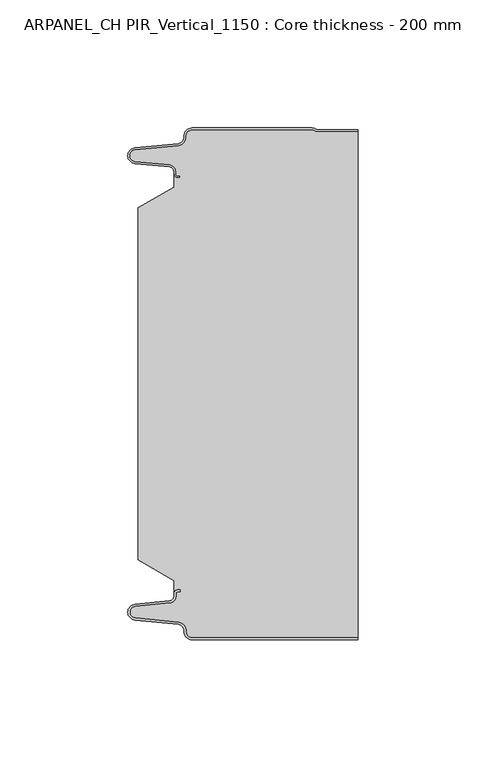
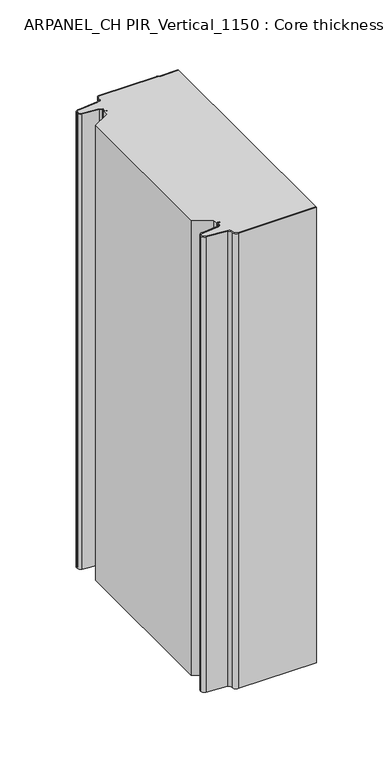
"""IFC4 building model written with IfcOpenShell, lengths in millimetres: plate geometry, ARPANEL_CH PIR_Vertical_1150 : Core thickness - 200 mm."""

from ifc_helpers import new_model, si_unit, frame, origin, place, context, project, spatial, polyline, circle_curve, source, transform, mapped, element, save
from ifc_brep_helpers import plane_surface, cylinder_surface, revolved_surface, advanced_brep


def arpanel_ch_pir_vertical_1150_core_thickness_200_mm_db65fc9b(model_context):
    return source(origin(), model_context, "Body", "AdvancedBrep", [
        advanced_brep(
        [(-19.8000003, -199.9996949, 0.0), (-22.9923632, -196.5787437, 0.0), (-25.2560431, -193.9171154, 0.0), (-42.2115315, -192.2546153, 0.0), (-44.9999998, -189.1776715, 0.0), (-42.2115315, -186.1007278, 0.0), (-28.6195785, -184.7680252, 0.0), (-26.9952277, -182.9766159, 0.0), (-26.9952277, -181.8996949, 0.0), (-25.5952277, -180.4996949, 0.0), (-24.4952277, -180.4996949, 0.0), (-24.4952277, -181.2996949, 0.0), (-25.5952277, -181.2996949, 0.0), (-26.1952277, -181.8996949, 0.0), (-26.1952277, -182.9766159, 0.0), (-28.5415122, -185.5642071, 0.0), (-42.1334652, -186.8969097, 0.0), (-44.1999997, -189.1776715, 0.0), (-42.1334652, -191.4584333, 0.0), (-25.1779767, -193.1209335, 0.0), (-22.2078761, -196.6330399, 0.0), (-19.8000003, -199.1996949, 0.0), (44.9999998, -199.2, 0.0), (44.9999998, -199.9996949, 0.0), (-19.8000003, -199.1996949, 400.0), (-22.1942724, -196.6339815, 400.0), (-25.1779767, -193.1209335, 400.0), (-42.1334652, -191.4584333, 400.0), (-44.1999997, -189.1776715, 400.0), (-42.1334652, -186.8969097, 400.0), (-28.5415122, -185.5642071, 400.0), (-26.1952277, -182.9766159, 400.0), (-26.1952277, -181.8996949, 400.0), (-25.5952277, -181.2996949, 400.0), (-24.4952277, -181.2996949, 400.0), (-24.4952277, -180.4996949, 400.0), (-25.5952277, -180.4996949, 400.0), (-26.9952277, -181.8996949, 400.0), (-26.9952277, -182.9766159, 400.0), (-28.6195785, -184.7680252, 400.0), (-42.2115315, -186.1007278, 400.0), (-44.9999998, -189.1776715, 400.0), (-42.2115315, -192.2546153, 400.0), (-25.2560431, -193.9171154, 400.0), (-23.0059668, -196.5778021, 400.0), (-19.8000003, -199.9996949, 400.0), (44.9999998, -199.9996949, 400.0), (44.9999998, -199.2, 400.0)],
        [
            (0, 1, circle_curve(frame((-19.8000003, -196.7996949, 0.0), z_axis=(0.0, 0.0, -1.0), x_axis=(1.0, 0.0, 0.0)), 3.2)),
            (1, 2, circle_curve(frame((-25.5000003, -196.4051839, 0.0), z_axis=(0.0, 0.0, 1.0), x_axis=(1.0, 0.0, 0.0)), 2.5)),
            (2, 3),
            (3, 4, circle_curve(frame((-41.9100003, -189.1793626, 0.0), z_axis=(0.0, 0.0, -1.0), x_axis=(1.0, 0.0, 0.0)), 3.09)),
            (4, 5, circle_curve(frame((-41.9100003, -189.1759805, 0.0), z_axis=(0.0, 0.0, -1.0), x_axis=(1.0, 0.0, 0.0)), 3.09)),
            (5, 6),
            (6, 7, circle_curve(frame((-28.7952277, -182.9766159, 0.0), z_axis=(0.0, 0.0, 1.0), x_axis=(1.0, 0.0, 0.0)), 1.8)),
            (7, 8),
            (8, 9, circle_curve(frame((-25.5952277, -181.8996949, 0.0), z_axis=(0.0, 0.0, -1.0), x_axis=(1.0, 0.0, 0.0)), 1.4)),
            (9, 10),
            (10, 11),
            (11, 12),
            (12, 13, circle_curve(frame((-25.5952277, -181.8996949, 0.0), z_axis=(0.0, 0.0, 1.0), x_axis=(1.0, 0.0, 0.0)), 0.6)),
            (13, 14),
            (14, 15, circle_curve(frame((-28.7952277, -182.9766159, 0.0), z_axis=(0.0, 0.0, -1.0), x_axis=(1.0, 0.0, 0.0)), 2.6)),
            (15, 16),
            (16, 17, circle_curve(frame((-41.9100003, -189.1759805, 0.0), z_axis=(0.0, 0.0, 1.0), x_axis=(1.0, 0.0, 0.0)), 2.29)),
            (17, 18, circle_curve(frame((-41.9100003, -189.1793626, 0.0), z_axis=(0.0, 0.0, 1.0), x_axis=(1.0, 0.0, 0.0)), 2.29)),
            (18, 19),
            (19, 20, circle_curve(frame((-25.5000003, -196.4051839, 0.0), z_axis=(0.0, 0.0, -1.0), x_axis=(1.0, 0.0, 0.0)), 3.3)),
            (20, 21, circle_curve(frame((-19.8000003, -196.7996949, 0.0), z_axis=(0.0, 0.0, 1.0), x_axis=(1.0, 0.0, 0.0)), 2.4)),
            (21, 22),
            (22, 23),
            (23, 0),
            (24, 25, circle_curve(frame((-19.8000003, -196.7996949, 400.0), z_axis=(0.0, 0.0, -1.0), x_axis=(1.0, 0.0, 0.0)), 2.4)),
            (25, 26, circle_curve(frame((-25.5000003, -196.4051839, 400.0), z_axis=(0.0, 0.0, 1.0), x_axis=(1.0, 0.0, 0.0)), 3.3)),
            (26, 27),
            (27, 28, circle_curve(frame((-41.9100003, -189.1793626, 400.0), z_axis=(0.0, 0.0, -1.0), x_axis=(1.0, 0.0, 0.0)), 2.29)),
            (28, 29, circle_curve(frame((-41.9100003, -189.1759805, 400.0), z_axis=(0.0, 0.0, -1.0), x_axis=(1.0, 0.0, 0.0)), 2.29)),
            (29, 30),
            (30, 31, circle_curve(frame((-28.7952277, -182.9766159, 400.0), z_axis=(0.0, 0.0, 1.0), x_axis=(1.0, 0.0, 0.0)), 2.6)),
            (31, 32),
            (32, 33, circle_curve(frame((-25.5952277, -181.8996949, 400.0), z_axis=(0.0, 0.0, -1.0), x_axis=(1.0, 0.0, 0.0)), 0.6)),
            (33, 34),
            (34, 35),
            (35, 36),
            (36, 37, circle_curve(frame((-25.5952277, -181.8996949, 400.0), z_axis=(0.0, 0.0, 1.0), x_axis=(1.0, 0.0, 0.0)), 1.4)),
            (37, 38),
            (38, 39, circle_curve(frame((-28.7952277, -182.9766159, 400.0), z_axis=(0.0, 0.0, -1.0), x_axis=(1.0, 0.0, 0.0)), 1.8)),
            (39, 40),
            (40, 41, circle_curve(frame((-41.9100003, -189.1759805, 400.0), z_axis=(0.0, 0.0, 1.0), x_axis=(1.0, 0.0, 0.0)), 3.09)),
            (41, 42, circle_curve(frame((-41.9100003, -189.1793626, 400.0), z_axis=(0.0, 0.0, 1.0), x_axis=(1.0, 0.0, 0.0)), 3.09)),
            (42, 43),
            (43, 44, circle_curve(frame((-25.5000003, -196.4051839, 400.0), z_axis=(0.0, 0.0, -1.0), x_axis=(1.0, 0.0, 0.0)), 2.5)),
            (44, 45, circle_curve(frame((-19.8000003, -196.7996949, 400.0), z_axis=(0.0, 0.0, 1.0), x_axis=(1.0, 0.0, 0.0)), 3.2)),
            (45, 46),
            (46, 47),
            (47, 24),
            (21, 24),
            (47, 22),
            (20, 25),
            (19, 26),
            (18, 27),
            (17, 28),
            (16, 29),
            (15, 30),
            (14, 31),
            (13, 32),
            (12, 33),
            (11, 34),
            (10, 35),
            (9, 36),
            (8, 37),
            (7, 38),
            (6, 39),
            (5, 40),
            (4, 41),
            (3, 42),
            (2, 43),
            (1, 44),
            (0, 45),
            (23, 46),
        ],
        [
            plane_surface(frame((-44.9999998, -200.0, 0.0), z_axis=(0.0, 0.0, -1.0), x_axis=(0.0, 1.0, 0.0))),
            plane_surface(frame((-44.9999998, -200.0, 400.0), z_axis=(0.0, 0.0, 1.0), x_axis=(0.0, 1.0, 0.0))),
            plane_surface(frame((-19.8000003, -199.2, 0.0), z_axis=(0.0, 1.0, 0.0), x_axis=(0.0, 0.0, 1.0))),
            revolved_surface(polyline([(-17.400000300000002, -196.7996949, 400.0), (-17.400000300000002, -196.7996949, 0.0)]), (-19.8000003, -196.7996949, 0.0), (0.0, 0.0, 1.0)),
            cylinder_surface(frame((-25.5000003, -196.4051839, 0.0), z_axis=(0.0, 0.0, -1.0), x_axis=(1.0, 0.0, 0.0)), 3.3),
            plane_surface(frame((-42.1334652, -191.4584333, 0.0), z_axis=(0.09758289975914758, 0.9952273999818314, 0.0), x_axis=(0.0, 0.0, 1.0))),
            revolved_surface(polyline([(-39.6200003, -189.1793626, 400.0), (-39.6200003, -189.1793626, 0.0)]), (-41.9100003, -189.1793626, 0.0), (0.0, 0.0, 1.0)),
            revolved_surface(polyline([(-39.6200003, -189.1759805, 400.0), (-39.6200003, -189.1759805, 0.0)]), (-41.9100003, -189.1759805, 0.0), (0.0, 0.0, 1.0)),
            plane_surface(frame((-28.5415122, -185.5642071, 0.0), z_axis=(0.09758289975914383, -0.9952273999818317, 0.0), x_axis=(0.0, 0.0, 1.0))),
            cylinder_surface(frame((-28.7952277, -182.9766159, 0.0), z_axis=(0.0, 0.0, -1.0), x_axis=(1.0, 0.0, 0.0)), 2.6),
            plane_surface(frame((-26.1952277, -181.8996949, 0.0), z_axis=(1.0, 0.0, 0.0), x_axis=(0.0, 0.0, 1.0))),
            revolved_surface(polyline([(-24.995227699999997, -181.8996949, 400.0), (-24.995227699999997, -181.8996949, 0.0)]), (-25.5952277, -181.8996949, 0.0), (0.0, 0.0, 1.0)),
            plane_surface(frame((-24.4952277, -181.2996949, 0.0), z_axis=(0.0, -1.0, 0.0), x_axis=(0.0, 0.0, 1.0))),
            plane_surface(frame((-24.4952277, -180.4996949, 0.0), z_axis=(1.0, 0.0, 0.0), x_axis=(0.0, 0.0, 1.0))),
            plane_surface(frame((-25.5952277, -180.4996949, 0.0), z_axis=(0.0, 1.0, 0.0), x_axis=(0.0, 0.0, 1.0))),
            cylinder_surface(frame((-25.5952277, -181.8996949, 0.0), z_axis=(0.0, 0.0, -1.0), x_axis=(1.0, 0.0, 0.0)), 1.4),
            plane_surface(frame((-26.9952277, -182.9766159, 0.0), z_axis=(-1.0, 0.0, 0.0), x_axis=(0.0, 0.0, 1.0))),
            revolved_surface(polyline([(-26.9952277, -182.9766159, 400.0), (-26.9952277, -182.9766159, 0.0)]), (-28.7952277, -182.9766159, 0.0), (0.0, 0.0, 1.0)),
            plane_surface(frame((-42.2115315, -186.1007278, 0.0), z_axis=(-0.09758289975914387, 0.9952273999818317, 0.0), x_axis=(0.0, 0.0, 1.0))),
            cylinder_surface(frame((-41.9100003, -189.1759805, 0.0), z_axis=(0.0, 0.0, -1.0), x_axis=(1.0, 0.0, 0.0)), 3.09),
            cylinder_surface(frame((-41.9100003, -189.1793626, 0.0), z_axis=(0.0, 0.0, -1.0), x_axis=(1.0, 0.0, 0.0)), 3.09),
            plane_surface(frame((-25.2560431, -193.9171154, 0.0), z_axis=(-0.09758289975914762, -0.9952273999818314, 0.0), x_axis=(0.0, 0.0, 1.0))),
            revolved_surface(polyline([(-23.0000003, -196.4051839, 400.0), (-23.0000003, -196.4051839, 0.0)]), (-25.5000003, -196.4051839, 0.0), (0.0, 0.0, 1.0)),
            cylinder_surface(frame((-19.8000003, -196.7996949, 0.0), z_axis=(0.0, 0.0, -1.0), x_axis=(1.0, 0.0, 0.0)), 3.2),
            plane_surface(frame((1121.009932, -199.9996949, 0.0), z_axis=(0.0, -1.0, 0.0), x_axis=(0.0, 0.0, 1.0))),
            plane_surface(frame((44.9999998, 180.0, 400.0), z_axis=(1.0, 0.0, 0.0), x_axis=(0.0, 0.0, -1.0))),
        ],
        [
            (0, [[1, 2, 3, 4, 5, 6, 7, 8, 9, 10, 11, 12, 13, 14, 15, 16, 17, 18, 19, 20, 21, 22, 23, 24]]),
            (1, [[25, 26, 27, 28, 29, 30, 31, 32, 33, 34, 35, 36, 37, 38, 39, 40, 41, 42, 43, 44, 45, 46, 47, 48]]),
            (2, [[49, -48, 50, -22]]),
            (3, [[-21, 51, -25, -49]]),
            (4, [[-20, 52, -26, -51]]),
            (5, [[-19, 53, -27, -52]]),
            (6, [[-18, 54, -28, -53]]),
            (7, [[-17, 55, -29, -54]]),
            (8, [[-16, 56, -30, -55]]),
            (9, [[-15, 57, -31, -56]]),
            (10, [[-14, 58, -32, -57]]),
            (11, [[-13, 59, -33, -58]]),
            (12, [[-12, 60, -34, -59]]),
            (13, [[-11, 61, -35, -60]]),
            (14, [[-10, 62, -36, -61]]),
            (15, [[-9, 63, -37, -62]]),
            (16, [[-8, 64, -38, -63]]),
            (17, [[-7, 65, -39, -64]]),
            (18, [[-6, 66, -40, -65]]),
            (19, [[-5, 67, -41, -66]]),
            (20, [[-4, 68, -42, -67]]),
            (21, [[-3, 69, -43, -68]]),
            (22, [[-2, 70, -44, -69]]),
            (23, [[-1, 71, -45, -70]]),
            (24, [[-71, -24, 72, -46]]),
            (25, [[-23, -50, -47, -72]]),
        ],
    ),
        advanced_brep(
        [(-26.9952277, -23.1062917, 400.0), (-41.0446509, -31.1628062, 400.0), (-41.0446509, -168.7531937, 400.0), (-26.9952277, -176.8937083, 400.0), (-26.9952277, -180.4996949, 400.0), (-26.9952277, -181.8996949, 400.0), (-25.5952277, -180.4996949, 400.0), (-24.4952277, -180.4996949, 400.0), (-24.4952277, -181.2996949, 400.0), (-25.5952277, -181.2996949, 400.0), (-26.1952277, -181.8996949, 400.0), (-26.1952277, -182.9766159, 400.0), (-28.5415122, -185.5642071, 400.0), (-42.1334652, -186.8969097, 400.0), (-44.1999997, -189.1776715, 400.0), (-42.1334652, -191.4584333, 400.0), (-25.1779767, -193.1209335, 400.0), (-22.2078761, -196.6330399, 400.0), (-19.8000003, -199.1996949, 400.0), (44.9999998, -199.2, 400.0), (44.9999998, -1.5003051, 400.0), (29.4172165, -1.5003051, 400.0), (27.9978051, -1.0971009, 400.0), (26.9454197, -0.8, 400.0), (-19.8000003, -0.8, 400.0), (-22.1942724, -3.3660185, 400.0), (-25.1779767, -6.8790665, 400.0), (-42.1334652, -8.5415667, 400.0), (-44.1999997, -10.8223285, 400.0), (-42.1334652, -13.1030903, 400.0), (-28.5415122, -14.4357929, 400.0), (-26.1952277, -17.0233841, 400.0), (-26.1952277, -18.1003051, 400.0), (-25.5952277, -18.7003051, 400.0), (-24.4952277, -18.7003051, 400.0), (-24.4952277, -19.5003051, 400.0), (-25.5952277, -19.5003051, 400.0), (-26.9952277, -18.1003051, 400.0), (-26.9952277, -19.5003051, 400.0), (-26.9952277, -176.8937083, 0.0), (-41.0446509, -168.7531937, 0.0), (-41.0446509, -31.1628062, 0.0), (-26.9952277, -23.1062917, 0.0), (-26.9952277, -19.5003051, 0.0), (-26.9952277, -18.1003051, 0.0), (-25.5952277, -19.5003051, 0.0), (-24.4952277, -19.5003051, 0.0), (-24.4952277, -18.7003051, 0.0), (-25.5952277, -18.7003051, 0.0), (-26.1952277, -18.1003051, 0.0), (-26.1952277, -17.0233841, 0.0), (-28.5415122, -14.4357929, 0.0), (-42.1334652, -13.1030903, 0.0), (-44.1999997, -10.8223285, 0.0), (-42.1334652, -8.5415667, 0.0), (-25.1779767, -6.8790665, 0.0), (-22.2078761, -3.3669601, 0.0), (-19.8000003, -0.8003051, 0.0), (26.9454197, -0.8, 0.0), (27.9968355, -1.0986697, 0.0), (29.4172165, -1.5003051, 0.0), (44.9999998, -1.5003051, 0.0), (44.9999998, -199.2, 0.0), (-19.8000003, -199.2, 0.0), (-22.1942724, -196.6339815, 0.0), (-25.1779767, -193.1209335, 0.0), (-42.1334652, -191.4584333, 0.0), (-44.1999997, -189.1776715, 0.0), (-42.1334652, -186.8969097, 0.0), (-28.5415122, -185.5642071, 0.0), (-26.1952277, -182.9766159, 0.0), (-26.1952277, -181.8996949, 0.0), (-25.5952277, -181.2996949, 0.0), (-24.4952277, -181.2996949, 0.0), (-24.4952277, -180.4996949, 0.0), (-25.5952277, -180.4996949, 0.0), (-26.9952277, -181.8996949, 0.0), (-26.9952277, -180.4996949, 0.0)],
        [
            (0, 1),
            (1, 2),
            (2, 3),
            (3, 4),
            (4, 5),
            (5, 6, circle_curve(frame((-25.5952277, -181.8996949, 400.0), z_axis=(0.0, 0.0, -1.0), x_axis=(1.0, 0.0, 0.0)), 1.4)),
            (6, 7),
            (7, 8),
            (8, 9),
            (9, 10, circle_curve(frame((-25.5952277, -181.8996949, 400.0), z_axis=(0.0, 0.0, 1.0), x_axis=(1.0, 0.0, 0.0)), 0.6)),
            (10, 11),
            (11, 12, circle_curve(frame((-28.7952277, -182.9766159, 400.0), z_axis=(0.0, 0.0, -1.0), x_axis=(1.0, 0.0, 0.0)), 2.6)),
            (12, 13),
            (13, 14, circle_curve(frame((-41.9100003, -189.1759805, 400.0), z_axis=(0.0, 0.0, 1.0), x_axis=(1.0, 0.0, 0.0)), 2.29)),
            (14, 15, circle_curve(frame((-41.9100003, -189.1793626, 400.0), z_axis=(0.0, 0.0, 1.0), x_axis=(1.0, 0.0, 0.0)), 2.29)),
            (15, 16),
            (16, 17, circle_curve(frame((-25.5000003, -196.4051839, 400.0), z_axis=(0.0, 0.0, -1.0), x_axis=(1.0, 0.0, 0.0)), 3.3)),
            (17, 18, circle_curve(frame((-19.8000003, -196.7996949, 400.0), z_axis=(0.0, 0.0, 1.0), x_axis=(1.0, 0.0, 0.0)), 2.4)),
            (18, 19),
            (19, 20),
            (20, 21),
            (21, 22, circle_curve(frame((29.4172165, 1.1996949, 400.0), z_axis=(0.0, 0.0, -1.0), x_axis=(1.0, 0.0, 0.0)), 2.7)),
            (22, 23, circle_curve(frame((26.9454197, -2.8, 400.0), z_axis=(0.0, 0.0, 1.0), x_axis=(1.0, 0.0, 0.0)), 2.0)),
            (23, 24),
            (24, 25, circle_curve(frame((-19.8000003, -3.2003051, 400.0), z_axis=(0.0, 0.0, 1.0), x_axis=(1.0, 0.0, 0.0)), 2.4)),
            (25, 26, circle_curve(frame((-25.5000003, -3.5948161, 400.0), z_axis=(0.0, 0.0, -1.0), x_axis=(1.0, 0.0, 0.0)), 3.3)),
            (26, 27),
            (27, 28, circle_curve(frame((-41.9100003, -10.8206374, 400.0), z_axis=(0.0, 0.0, 1.0), x_axis=(1.0, 0.0, 0.0)), 2.29)),
            (28, 29, circle_curve(frame((-41.9100003, -10.8240195, 400.0), z_axis=(0.0, 0.0, 1.0), x_axis=(1.0, 0.0, 0.0)), 2.29)),
            (29, 30),
            (30, 31, circle_curve(frame((-28.7952277, -17.0233841, 400.0), z_axis=(0.0, 0.0, -1.0), x_axis=(1.0, 0.0, 0.0)), 2.6)),
            (31, 32),
            (32, 33, circle_curve(frame((-25.5952277, -18.1003051, 400.0), z_axis=(0.0, 0.0, 1.0), x_axis=(1.0, 0.0, 0.0)), 0.6)),
            (33, 34),
            (34, 35),
            (35, 36),
            (36, 37, circle_curve(frame((-25.5952277, -18.1003051, 400.0), z_axis=(0.0, 0.0, -1.0), x_axis=(1.0, 0.0, 0.0)), 1.4)),
            (37, 38),
            (38, 0),
            (39, 40),
            (40, 41),
            (41, 42),
            (42, 43),
            (43, 44),
            (44, 45, circle_curve(frame((-25.5952277, -18.1003051, 0.0), z_axis=(0.0, 0.0, 1.0), x_axis=(1.0, 0.0, 0.0)), 1.4)),
            (45, 46),
            (46, 47),
            (47, 48),
            (48, 49, circle_curve(frame((-25.5952277, -18.1003051, 0.0), z_axis=(0.0, 0.0, -1.0), x_axis=(1.0, 0.0, 0.0)), 0.6)),
            (49, 50),
            (50, 51, circle_curve(frame((-28.7952277, -17.0233841, 0.0), z_axis=(0.0, 0.0, 1.0), x_axis=(1.0, 0.0, 0.0)), 2.6)),
            (51, 52),
            (52, 53, circle_curve(frame((-41.9100003, -10.8240195, 0.0), z_axis=(0.0, 0.0, -1.0), x_axis=(1.0, 0.0, 0.0)), 2.29)),
            (53, 54, circle_curve(frame((-41.9100003, -10.8206374, 0.0), z_axis=(0.0, 0.0, -1.0), x_axis=(1.0, 0.0, 0.0)), 2.29)),
            (54, 55),
            (55, 56, circle_curve(frame((-25.5000003, -3.5948161, 0.0), z_axis=(0.0, 0.0, 1.0), x_axis=(1.0, 0.0, 0.0)), 3.3)),
            (56, 57, circle_curve(frame((-19.8000003, -3.2003051, 0.0), z_axis=(0.0, 0.0, -1.0), x_axis=(1.0, 0.0, 0.0)), 2.4)),
            (57, 58),
            (58, 59, circle_curve(frame((26.9454197, -2.8, 0.0), z_axis=(0.0, 0.0, -1.0), x_axis=(1.0, 0.0, 0.0)), 2.0)),
            (59, 60, circle_curve(frame((29.4172165, 1.1996949, 0.0), z_axis=(0.0, 0.0, 1.0), x_axis=(1.0, 0.0, 0.0)), 2.7)),
            (60, 61),
            (61, 62),
            (62, 63),
            (63, 64, circle_curve(frame((-19.8000003, -196.7996949, 0.0), z_axis=(0.0, 0.0, -1.0), x_axis=(1.0, 0.0, 0.0)), 2.4)),
            (64, 65, circle_curve(frame((-25.5000003, -196.4051839, 0.0), z_axis=(0.0, 0.0, 1.0), x_axis=(1.0, 0.0, 0.0)), 3.3)),
            (65, 66),
            (66, 67, circle_curve(frame((-41.9100003, -189.1793626, 0.0), z_axis=(0.0, 0.0, -1.0), x_axis=(1.0, 0.0, 0.0)), 2.29)),
            (67, 68, circle_curve(frame((-41.9100003, -189.1759805, 0.0), z_axis=(0.0, 0.0, -1.0), x_axis=(1.0, 0.0, 0.0)), 2.29)),
            (68, 69),
            (69, 70, circle_curve(frame((-28.7952277, -182.9766159, 0.0), z_axis=(0.0, 0.0, 1.0), x_axis=(1.0, 0.0, 0.0)), 2.6)),
            (70, 71),
            (71, 72, circle_curve(frame((-25.5952277, -181.8996949, 0.0), z_axis=(0.0, 0.0, -1.0), x_axis=(1.0, 0.0, 0.0)), 0.6)),
            (72, 73),
            (73, 74),
            (74, 75),
            (75, 76, circle_curve(frame((-25.5952277, -181.8996949, 0.0), z_axis=(0.0, 0.0, 1.0), x_axis=(1.0, 0.0, 0.0)), 1.4)),
            (76, 77),
            (77, 39),
            (42, 0),
            (37, 44),
            (1, 41),
            (40, 2),
            (39, 3),
            (76, 5),
            (19, 62),
            (61, 20),
            (18, 63),
            (17, 64),
            (16, 65),
            (15, 66),
            (14, 67),
            (13, 68),
            (12, 69),
            (11, 70),
            (10, 71),
            (9, 72),
            (8, 73),
            (7, 74),
            (6, 75),
            (57, 24),
            (23, 58),
            (22, 59),
            (21, 60),
            (36, 45),
            (35, 46),
            (34, 47),
            (33, 48),
            (32, 49),
            (31, 50),
            (30, 51),
            (29, 52),
            (28, 53),
            (27, 54),
            (26, 55),
            (25, 56),
        ],
        [
            plane_surface(frame((-44.9999998, 0.0, 400.0), z_axis=(0.0, 0.0, 1.0), x_axis=(0.0, -1.0, 0.0))),
            plane_surface(frame((-44.9999998, 0.0, 0.0), z_axis=(0.0, 0.0, -1.0), x_axis=(0.0, -1.0, 0.0))),
            plane_surface(frame((-26.9952277, -17.0229218, 400.0), z_axis=(-1.0, 0.0, 0.0), x_axis=(0.0, 0.0, -1.0))),
            plane_surface(frame((-41.0446509, -31.1628062, 400.0), z_axis=(-1.0, 0.0, 0.0), x_axis=(0.0, 0.0, -1.0))),
            plane_surface(frame((-26.9952277, -23.1062917, 400.0), z_axis=(-0.4974543664933155, 0.8674901459133322, 0.0), x_axis=(0.0, 0.0, -1.0))),
            plane_surface(frame((-41.0446509, -168.7531937, 400.0), z_axis=(-0.5013424225369615, -0.8652489672717159, 0.0), x_axis=(0.0, 0.0, -1.0))),
            plane_surface(frame((-26.9952277, -176.8937083, 400.0), z_axis=(-1.0, 0.0, 0.0), x_axis=(0.0, 0.0, -1.0))),
            plane_surface(frame((44.9999998, 180.0, 400.0), z_axis=(1.0, 0.0, 0.0), x_axis=(0.0, 0.0, -1.0))),
            plane_surface(frame((1121.009932, -199.2, 530.0), z_axis=(0.0, -1.0, 0.0), x_axis=(0.0, 0.0, -1.0))),
            cylinder_surface(frame((-19.8000003, -196.7996949, 530.0), z_axis=(0.0, 0.0, -1.0), x_axis=(1.0, 0.0, 0.0)), 2.4),
            revolved_surface(polyline([(-22.2000003, -196.4051839, 400.0), (-22.2000003, -196.4051839, 0.0)]), (-25.5000003, -196.4051839, 530.0), (0.0, 0.0, 1.0)),
            plane_surface(frame((-25.1779767, -193.1209335, 530.0), z_axis=(-0.09758289975914758, -0.9952273999818314, 0.0), x_axis=(0.0, 0.0, -1.0))),
            cylinder_surface(frame((-41.9100003, -189.1793626, 530.0), z_axis=(0.0, 0.0, -1.0), x_axis=(1.0, 0.0, 0.0)), 2.29),
            cylinder_surface(frame((-41.9100003, -189.1759805, 530.0), z_axis=(0.0, 0.0, -1.0), x_axis=(1.0, 0.0, 0.0)), 2.29),
            plane_surface(frame((-42.1334652, -186.8969097, 530.0), z_axis=(-0.09758289975914383, 0.9952273999818317, 0.0), x_axis=(0.0, 0.0, -1.0))),
            revolved_surface(polyline([(-26.1952277, -182.9766159, 400.0), (-26.1952277, -182.9766159, 0.0)]), (-28.7952277, -182.9766159, 530.0), (0.0, 0.0, 1.0)),
            plane_surface(frame((-26.1952277, -182.9766159, 530.0), z_axis=(-1.0, 0.0, 0.0), x_axis=(0.0, 0.0, -1.0))),
            cylinder_surface(frame((-25.5952277, -181.8996949, 530.0), z_axis=(0.0, 0.0, -1.0), x_axis=(1.0, 0.0, 0.0)), 0.6),
            plane_surface(frame((-25.5952277, -181.2996949, 530.0), z_axis=(0.0, 1.0, 0.0), x_axis=(0.0, 0.0, -1.0))),
            plane_surface(frame((-24.4952277, -181.2996949, 530.0), z_axis=(-1.0, 0.0, 0.0), x_axis=(0.0, 0.0, -1.0))),
            plane_surface(frame((-24.4952277, -180.4996949, 530.0), z_axis=(0.0, -1.0, 0.0), x_axis=(0.0, 0.0, -1.0))),
            revolved_surface(polyline([(-24.1952277, -181.8996949, 400.0), (-24.1952277, -181.8996949, 0.0)]), (-25.5952277, -181.8996949, 530.0), (0.0, 0.0, 1.0)),
            plane_surface(frame((-19.8000003, -0.8, 530.0), z_axis=(0.0, 1.0, 0.0), x_axis=(0.0, 0.0, -1.0))),
            cylinder_surface(frame((26.9454197, -2.8, 530.0), z_axis=(0.0, 0.0, -1.0), x_axis=(1.0, 0.0, 0.0)), 2.0),
            revolved_surface(polyline([(32.1172165, 1.1996949, 400.0), (32.1172165, 1.1996949, 0.0)]), (29.4172165, 1.1996949, 530.0), (0.0, 0.0, 1.0)),
            plane_surface(frame((29.4172165, -1.5003051, 530.0), z_axis=(0.0, 1.0, 0.0), x_axis=(0.0, 0.0, -1.0))),
            revolved_surface(polyline([(-24.1952277, -18.1003051, 400.0), (-24.1952277, -18.1003051, 0.0)]), (-25.5952277, -18.1003051, 530.0), (0.0, 0.0, 1.0)),
            plane_surface(frame((-25.5952277, -19.5003051, 530.0), z_axis=(0.0, 1.0, 0.0), x_axis=(0.0, 0.0, -1.0))),
            plane_surface(frame((-24.4952277, -19.5003051, 530.0), z_axis=(-1.0, 0.0, 0.0), x_axis=(0.0, 0.0, -1.0))),
            plane_surface(frame((-24.4952277, -18.7003051, 530.0), z_axis=(0.0, -1.0, 0.0), x_axis=(0.0, 0.0, -1.0))),
            cylinder_surface(frame((-25.5952277, -18.1003051, 530.0), z_axis=(0.0, 0.0, -1.0), x_axis=(1.0, 0.0, 0.0)), 0.6),
            plane_surface(frame((-26.1952277, -18.1003051, 530.0), z_axis=(-1.0, 0.0, 0.0), x_axis=(0.0, 0.0, -1.0))),
            revolved_surface(polyline([(-26.1952277, -17.0233841, 400.0), (-26.1952277, -17.0233841, 0.0)]), (-28.7952277, -17.0233841, 530.0), (0.0, 0.0, 1.0)),
            plane_surface(frame((-28.5415122, -14.4357929, 530.0), z_axis=(-0.09758289975914705, -0.9952273999818314, 0.0), x_axis=(0.0, 0.0, -1.0))),
            cylinder_surface(frame((-41.9100003, -10.8240195, 530.0), z_axis=(0.0, 0.0, -1.0), x_axis=(1.0, 0.0, 0.0)), 2.29),
            cylinder_surface(frame((-41.9100003, -10.8206374, 530.0), z_axis=(0.0, 0.0, -1.0), x_axis=(1.0, 0.0, 0.0)), 2.29),
            plane_surface(frame((-42.1334652, -8.5415667, 530.0), z_axis=(-0.09758289975914436, 0.9952273999818317, 0.0), x_axis=(0.0, 0.0, -1.0))),
            revolved_surface(polyline([(-22.2000003, -3.5948161, 400.0), (-22.2000003, -3.5948161, 0.0)]), (-25.5000003, -3.5948161, 530.0), (0.0, 0.0, 1.0)),
            cylinder_surface(frame((-19.8000003, -3.2003051, 530.0), z_axis=(0.0, 0.0, -1.0), x_axis=(1.0, 0.0, 0.0)), 2.4),
        ],
        [
            (0, [[1, 2, 3, 4, 5, 6, 7, 8, 9, 10, 11, 12, 13, 14, 15, 16, 17, 18, 19, 20, 21, 22, 23, 24, 25, 26, 27, 28, 29, 30, 31, 32, 33, 34, 35, 36, 37, 38, 39]]),
            (1, [[40, 41, 42, 43, 44, 45, 46, 47, 48, 49, 50, 51, 52, 53, 54, 55, 56, 57, 58, 59, 60, 61, 62, 63, 64, 65, 66, 67, 68, 69, 70, 71, 72, 73, 74, 75, 76, 77, 78]]),
            (2, [[79, -39, -38, 80, -44, -43]]),
            (3, [[-2, 81, -41, 82]]),
            (4, [[-1, -79, -42, -81]]),
            (5, [[-3, -82, -40, 83]]),
            (6, [[-83, -78, -77, 84, -5, -4]]),
            (7, [[85, -62, 86, -20]]),
            (8, [[87, -63, -85, -19]]),
            (9, [[-87, -18, 88, -64]]),
            (10, [[-88, -17, 89, -65]]),
            (11, [[-89, -16, 90, -66]]),
            (12, [[-90, -15, 91, -67]]),
            (13, [[-91, -14, 92, -68]]),
            (14, [[-92, -13, 93, -69]]),
            (15, [[-93, -12, 94, -70]]),
            (16, [[-94, -11, 95, -71]]),
            (17, [[-95, -10, 96, -72]]),
            (18, [[-96, -9, 97, -73]]),
            (19, [[-97, -8, 98, -74]]),
            (20, [[-98, -7, 99, -75]]),
            (21, [[-99, -6, -84, -76]]),
            (22, [[100, -24, 101, -58]]),
            (23, [[-101, -23, 102, -59]]),
            (24, [[-102, -22, 103, -60]]),
            (25, [[-103, -21, -86, -61]]),
            (26, [[104, -45, -80, -37]]),
            (27, [[-104, -36, 105, -46]]),
            (28, [[-105, -35, 106, -47]]),
            (29, [[-106, -34, 107, -48]]),
            (30, [[-107, -33, 108, -49]]),
            (31, [[-108, -32, 109, -50]]),
            (32, [[-109, -31, 110, -51]]),
            (33, [[-110, -30, 111, -52]]),
            (34, [[-111, -29, 112, -53]]),
            (35, [[-112, -28, 113, -54]]),
            (36, [[-113, -27, 114, -55]]),
            (37, [[-114, -26, 115, -56]]),
            (38, [[-100, -57, -115, -25]]),
        ],
    ),
        advanced_brep(
        [(27.9968355, -1.0986697, 0.0), (26.9454197, -0.8, 0.0), (-19.8000003, -0.8, 0.0), (-22.1942724, -3.3660185, 0.0), (-25.1779767, -6.8790665, 0.0), (-42.1334652, -8.5415667, 0.0), (-44.1999997, -10.8223285, 0.0), (-42.1334652, -13.1030903, 0.0), (-28.5415122, -14.4357929, 0.0), (-26.1952277, -17.0233841, 0.0), (-26.1952277, -18.1003051, 0.0), (-25.5952277, -18.7003051, 0.0), (-24.4952277, -18.7003051, 0.0), (-24.4952277, -19.5003051, 0.0), (-25.5952277, -19.5003051, 0.0), (-26.9952277, -18.1003051, 0.0), (-26.9952277, -17.0233841, 0.0), (-28.6195785, -15.2319748, 0.0), (-42.2115315, -13.8992722, 0.0), (-44.9999998, -10.8223285, 0.0), (-42.2115315, -7.7453847, 0.0), (-25.2560431, -6.0828846, 0.0), (-23.0059668, -3.4221979, 0.0), (-19.8000003, -0.0003051, 0.0), (26.9454197, -0.0003051, 0.0), (28.3647528, -0.4034608, 0.0), (29.4172165, -0.7003051, 0.0), (44.9999998, -0.7003051, 0.0), (44.9999998, -1.5003051, 0.0), (29.4172165, -1.5003051, 0.0), (27.9978051, -1.0971009, 400.0), (29.4172165, -1.5003051, 400.0), (44.9999998, -1.5003051, 400.0), (44.9999998, -0.7003051, 400.0), (29.4172165, -0.7003051, 400.0), (28.3658586, -0.4016712, 400.0), (26.9454197, -0.0003051, 400.0), (-19.8000003, -0.0003051, 400.0), (-22.9923632, -3.4212563, 400.0), (-25.2560431, -6.0828846, 400.0), (-42.2115315, -7.7453847, 400.0), (-44.9999998, -10.8223285, 400.0), (-42.2115315, -13.8992722, 400.0), (-28.6195785, -15.2319748, 400.0), (-26.9952277, -17.0233841, 400.0), (-26.9952277, -18.1003051, 400.0), (-25.5952277, -19.5003051, 400.0), (-24.4952277, -19.5003051, 400.0), (-24.4952277, -18.7003051, 400.0), (-25.5952277, -18.7003051, 400.0), (-26.1952277, -18.1003051, 400.0), (-26.1952277, -17.0233841, 400.0), (-28.5415122, -14.4357929, 400.0), (-42.1334652, -13.1030903, 400.0), (-44.1999997, -10.8223285, 400.0), (-42.1334652, -8.5415667, 400.0), (-25.1779767, -6.8790665, 400.0), (-22.2078761, -3.3669601, 400.0), (-19.8000003, -0.8003051, 400.0), (26.9454197, -0.8, 400.0)],
        [
            (0, 1, circle_curve(frame((26.9454197, -2.8, 0.0), z_axis=(0.0, 0.0, 1.0), x_axis=(1.0, 0.0, 0.0)), 2.0)),
            (1, 2),
            (2, 3, circle_curve(frame((-19.8000003, -3.2003051, 0.0), z_axis=(0.0, 0.0, 1.0), x_axis=(1.0, 0.0, 0.0)), 2.4)),
            (3, 4, circle_curve(frame((-25.5000003, -3.5948161, 0.0), z_axis=(0.0, 0.0, -1.0), x_axis=(1.0, 0.0, 0.0)), 3.3)),
            (4, 5),
            (5, 6, circle_curve(frame((-41.9100003, -10.8206374, 0.0), z_axis=(0.0, 0.0, 1.0), x_axis=(1.0, 0.0, 0.0)), 2.29)),
            (6, 7, circle_curve(frame((-41.9100003, -10.8240195, 0.0), z_axis=(0.0, 0.0, 1.0), x_axis=(1.0, 0.0, 0.0)), 2.29)),
            (7, 8),
            (8, 9, circle_curve(frame((-28.7952277, -17.0233841, 0.0), z_axis=(0.0, 0.0, -1.0), x_axis=(1.0, 0.0, 0.0)), 2.6)),
            (9, 10),
            (10, 11, circle_curve(frame((-25.5952277, -18.1003051, 0.0), z_axis=(0.0, 0.0, 1.0), x_axis=(1.0, 0.0, 0.0)), 0.6)),
            (11, 12),
            (12, 13),
            (13, 14),
            (14, 15, circle_curve(frame((-25.5952277, -18.1003051, 0.0), z_axis=(0.0, 0.0, -1.0), x_axis=(1.0, 0.0, 0.0)), 1.4)),
            (15, 16),
            (16, 17, circle_curve(frame((-28.7952277, -17.0233841, 0.0), z_axis=(0.0, 0.0, 1.0), x_axis=(1.0, 0.0, 0.0)), 1.8)),
            (17, 18),
            (18, 19, circle_curve(frame((-41.9100003, -10.8240195, 0.0), z_axis=(0.0, 0.0, -1.0), x_axis=(1.0, 0.0, 0.0)), 3.09)),
            (19, 20, circle_curve(frame((-41.9100003, -10.8206374, 0.0), z_axis=(0.0, 0.0, -1.0), x_axis=(1.0, 0.0, 0.0)), 3.09)),
            (20, 21),
            (21, 22, circle_curve(frame((-25.5000003, -3.5948161, 0.0), z_axis=(0.0, 0.0, 1.0), x_axis=(1.0, 0.0, 0.0)), 2.5)),
            (22, 23, circle_curve(frame((-19.8000003, -3.2003051, 0.0), z_axis=(0.0, 0.0, -1.0), x_axis=(1.0, 0.0, 0.0)), 3.2)),
            (23, 24),
            (24, 25, circle_curve(frame((26.9454197, -2.7003051, 0.0), z_axis=(0.0, 0.0, -1.0), x_axis=(1.0, 0.0, 0.0)), 2.7)),
            (25, 26, circle_curve(frame((29.4172165, 1.2996949, 0.0), z_axis=(0.0, 0.0, 1.0), x_axis=(1.0, 0.0, 0.0)), 2.0)),
            (26, 27),
            (27, 28),
            (28, 29),
            (29, 0, circle_curve(frame((29.4172165, 1.1996949, 0.0), z_axis=(0.0, 0.0, -1.0), x_axis=(1.0, 0.0, 0.0)), 2.7)),
            (30, 31, circle_curve(frame((29.4172165, 1.1996949, 400.0), z_axis=(0.0, 0.0, 1.0), x_axis=(1.0, 0.0, 0.0)), 2.7)),
            (31, 32),
            (32, 33),
            (33, 34),
            (34, 35, circle_curve(frame((29.4172165, 1.2996949, 400.0), z_axis=(0.0, 0.0, -1.0), x_axis=(1.0, 0.0, 0.0)), 2.0)),
            (35, 36, circle_curve(frame((26.9454197, -2.7003051, 400.0), z_axis=(0.0, 0.0, 1.0), x_axis=(1.0, 0.0, 0.0)), 2.7)),
            (36, 37),
            (37, 38, circle_curve(frame((-19.8000003, -3.2003051, 400.0), z_axis=(0.0, 0.0, 1.0), x_axis=(1.0, 0.0, 0.0)), 3.2)),
            (38, 39, circle_curve(frame((-25.5000003, -3.5948161, 400.0), z_axis=(0.0, 0.0, -1.0), x_axis=(1.0, 0.0, 0.0)), 2.5)),
            (39, 40),
            (40, 41, circle_curve(frame((-41.9100003, -10.8206374, 400.0), z_axis=(0.0, 0.0, 1.0), x_axis=(1.0, 0.0, 0.0)), 3.09)),
            (41, 42, circle_curve(frame((-41.9100003, -10.8240195, 400.0), z_axis=(0.0, 0.0, 1.0), x_axis=(1.0, 0.0, 0.0)), 3.09)),
            (42, 43),
            (43, 44, circle_curve(frame((-28.7952277, -17.0233841, 400.0), z_axis=(0.0, 0.0, -1.0), x_axis=(1.0, 0.0, 0.0)), 1.8)),
            (44, 45),
            (45, 46, circle_curve(frame((-25.5952277, -18.1003051, 400.0), z_axis=(0.0, 0.0, 1.0), x_axis=(1.0, 0.0, 0.0)), 1.4)),
            (46, 47),
            (47, 48),
            (48, 49),
            (49, 50, circle_curve(frame((-25.5952277, -18.1003051, 400.0), z_axis=(0.0, 0.0, -1.0), x_axis=(1.0, 0.0, 0.0)), 0.6)),
            (50, 51),
            (51, 52, circle_curve(frame((-28.7952277, -17.0233841, 400.0), z_axis=(0.0, 0.0, 1.0), x_axis=(1.0, 0.0, 0.0)), 2.6)),
            (52, 53),
            (53, 54, circle_curve(frame((-41.9100003, -10.8240195, 400.0), z_axis=(0.0, 0.0, -1.0), x_axis=(1.0, 0.0, 0.0)), 2.29)),
            (54, 55, circle_curve(frame((-41.9100003, -10.8206374, 400.0), z_axis=(0.0, 0.0, -1.0), x_axis=(1.0, 0.0, 0.0)), 2.29)),
            (55, 56),
            (56, 57, circle_curve(frame((-25.5000003, -3.5948161, 400.0), z_axis=(0.0, 0.0, 1.0), x_axis=(1.0, 0.0, 0.0)), 3.3)),
            (57, 58, circle_curve(frame((-19.8000003, -3.2003051, 400.0), z_axis=(0.0, 0.0, -1.0), x_axis=(1.0, 0.0, 0.0)), 2.4)),
            (58, 59),
            (59, 30, circle_curve(frame((26.9454197, -2.8, 400.0), z_axis=(0.0, 0.0, -1.0), x_axis=(1.0, 0.0, 0.0)), 2.0)),
            (0, 30),
            (59, 1),
            (58, 2),
            (57, 3),
            (56, 4),
            (55, 5),
            (54, 6),
            (53, 7),
            (52, 8),
            (51, 9),
            (50, 10),
            (49, 11),
            (48, 12),
            (47, 13),
            (46, 14),
            (45, 15),
            (44, 16),
            (43, 17),
            (42, 18),
            (41, 19),
            (40, 20),
            (39, 21),
            (38, 22),
            (37, 23),
            (36, 24),
            (35, 25),
            (34, 26),
            (33, 27),
            (31, 29),
            (28, 32),
        ],
        [
            plane_surface(frame((-44.9999998, 0.0, 0.0), z_axis=(0.0, 0.0, -1.0), x_axis=(0.0, -1.0, 0.0))),
            plane_surface(frame((-44.9999998, 0.0, 400.0), z_axis=(0.0, 0.0, 1.0), x_axis=(0.0, -1.0, 0.0))),
            revolved_surface(polyline([(28.9454197, -2.8, 400.0), (28.9454197, -2.8, 0.0)]), (26.9454197, -2.8, 0.0), (0.0, 0.0, 1.0)),
            plane_surface(frame((26.9454197, -0.8, 0.0), z_axis=(0.0, -1.0, 0.0), x_axis=(0.0, 0.0, 1.0))),
            revolved_surface(polyline([(-17.400000300000002, -3.2003051, 400.0), (-17.400000300000002, -3.2003051, 0.0)]), (-19.8000003, -3.2003051, 0.0), (0.0, 0.0, 1.0)),
            cylinder_surface(frame((-25.5000003, -3.5948161, 0.0), z_axis=(0.0, 0.0, -1.0), x_axis=(1.0, 0.0, 0.0)), 3.3),
            plane_surface(frame((-25.1779767, -6.8790665, 0.0), z_axis=(0.09758289975914113, -0.9952273999818321, 0.0), x_axis=(0.0, 0.0, 1.0))),
            revolved_surface(polyline([(-39.6200003, -10.8206374, 400.0), (-39.6200003, -10.8206374, 0.0)]), (-41.9100003, -10.8206374, 0.0), (0.0, 0.0, 1.0)),
            revolved_surface(polyline([(-39.6200003, -10.8240195, 400.0), (-39.6200003, -10.8240195, 0.0)]), (-41.9100003, -10.8240195, 0.0), (0.0, 0.0, 1.0)),
            plane_surface(frame((-42.1334652, -13.1030903, 0.0), z_axis=(0.0975828997591503, 0.9952273999818312, 0.0), x_axis=(0.0, 0.0, 1.0))),
            cylinder_surface(frame((-28.7952277, -17.0233841, 0.0), z_axis=(0.0, 0.0, -1.0), x_axis=(1.0, 0.0, 0.0)), 2.6),
            plane_surface(frame((-26.1952277, -17.0233841, 0.0), z_axis=(1.0, 0.0, 0.0), x_axis=(0.0, 0.0, 1.0))),
            revolved_surface(polyline([(-24.995227699999997, -18.1003051, 400.0), (-24.995227699999997, -18.1003051, 0.0)]), (-25.5952277, -18.1003051, 0.0), (0.0, 0.0, 1.0)),
            plane_surface(frame((-25.5952277, -18.7003051, 0.0), z_axis=(0.0, 1.0, 0.0), x_axis=(0.0, 0.0, 1.0))),
            plane_surface(frame((-24.4952277, -18.7003051, 0.0), z_axis=(1.0, 0.0, 0.0), x_axis=(0.0, 0.0, 1.0))),
            plane_surface(frame((-24.4952277, -19.5003051, 0.0), z_axis=(0.0, -1.0, 0.0), x_axis=(0.0, 0.0, 1.0))),
            cylinder_surface(frame((-25.5952277, -18.1003051, 0.0), z_axis=(0.0, 0.0, -1.0), x_axis=(1.0, 0.0, 0.0)), 1.4),
            plane_surface(frame((-26.9952277, -18.1003051, 0.0), z_axis=(-1.0, 0.0, 0.0), x_axis=(0.0, 0.0, 1.0))),
            revolved_surface(polyline([(-26.9952277, -17.0233841, 400.0), (-26.9952277, -17.0233841, 0.0)]), (-28.7952277, -17.0233841, 0.0), (0.0, 0.0, 1.0)),
            plane_surface(frame((-28.6195785, -15.2319748, 0.0), z_axis=(-0.09758289975915034, -0.9952273999818312, 0.0), x_axis=(0.0, 0.0, 1.0))),
            cylinder_surface(frame((-41.9100003, -10.8240195, 0.0), z_axis=(0.0, 0.0, -1.0), x_axis=(1.0, 0.0, 0.0)), 3.09),
            cylinder_surface(frame((-41.9100003, -10.8206374, 0.0), z_axis=(0.0, 0.0, -1.0), x_axis=(1.0, 0.0, 0.0)), 3.09),
            plane_surface(frame((-42.2115315, -7.7453847, 0.0), z_axis=(-0.09758289975914117, 0.9952273999818321, 0.0), x_axis=(0.0, 0.0, 1.0))),
            revolved_surface(polyline([(-23.0000003, -3.5948161, 400.0), (-23.0000003, -3.5948161, 0.0)]), (-25.5000003, -3.5948161, 0.0), (0.0, 0.0, 1.0)),
            cylinder_surface(frame((-19.8000003, -3.2003051, 0.0), z_axis=(0.0, 0.0, -1.0), x_axis=(1.0, 0.0, 0.0)), 3.2),
            plane_surface(frame((-19.8000003, -0.0003051, 0.0), z_axis=(0.0, 1.0, 0.0), x_axis=(0.0, 0.0, 1.0))),
            cylinder_surface(frame((26.9454197, -2.7003051, 0.0), z_axis=(0.0, 0.0, -1.0), x_axis=(1.0, 0.0, 0.0)), 2.7),
            revolved_surface(polyline([(31.4172165, 1.2996949, 400.0), (31.4172165, 1.2996949, 0.0)]), (29.4172165, 1.2996949, 0.0), (0.0, 0.0, 1.0)),
            plane_surface(frame((29.4172165, -0.7003051, 0.0), z_axis=(0.0, 1.0, 0.0), x_axis=(0.0, 0.0, 1.0))),
            plane_surface(frame((79.5769997, -1.5003051, 0.0), z_axis=(0.0, -1.0, 0.0), x_axis=(0.0, 0.0, 1.0))),
            cylinder_surface(frame((29.4172165, 1.1996949, 0.0), z_axis=(0.0, 0.0, -1.0), x_axis=(1.0, 0.0, 0.0)), 2.7),
            plane_surface(frame((44.9999998, 180.0, 400.0), z_axis=(1.0, 0.0, 0.0), x_axis=(0.0, 0.0, -1.0))),
        ],
        [
            (0, [[1, 2, 3, 4, 5, 6, 7, 8, 9, 10, 11, 12, 13, 14, 15, 16, 17, 18, 19, 20, 21, 22, 23, 24, 25, 26, 27, 28, 29, 30]]),
            (1, [[31, 32, 33, 34, 35, 36, 37, 38, 39, 40, 41, 42, 43, 44, 45, 46, 47, 48, 49, 50, 51, 52, 53, 54, 55, 56, 57, 58, 59, 60]]),
            (2, [[-1, 61, -60, 62]]),
            (3, [[-2, -62, -59, 63]]),
            (4, [[-3, -63, -58, 64]]),
            (5, [[-4, -64, -57, 65]]),
            (6, [[-5, -65, -56, 66]]),
            (7, [[-6, -66, -55, 67]]),
            (8, [[-7, -67, -54, 68]]),
            (9, [[-8, -68, -53, 69]]),
            (10, [[-9, -69, -52, 70]]),
            (11, [[-10, -70, -51, 71]]),
            (12, [[-11, -71, -50, 72]]),
            (13, [[-12, -72, -49, 73]]),
            (14, [[-13, -73, -48, 74]]),
            (15, [[-14, -74, -47, 75]]),
            (16, [[-15, -75, -46, 76]]),
            (17, [[-16, -76, -45, 77]]),
            (18, [[-17, -77, -44, 78]]),
            (19, [[-18, -78, -43, 79]]),
            (20, [[-19, -79, -42, 80]]),
            (21, [[-20, -80, -41, 81]]),
            (22, [[-21, -81, -40, 82]]),
            (23, [[-22, -82, -39, 83]]),
            (24, [[-23, -83, -38, 84]]),
            (25, [[-24, -84, -37, 85]]),
            (26, [[-25, -85, -36, 86]]),
            (27, [[-26, -86, -35, 87]]),
            (28, [[-87, -34, 88, -27]]),
            (29, [[89, -29, 90, -32]]),
            (30, [[-30, -89, -31, -61]]),
            (31, [[-28, -88, -33, -90]]),
        ],
    ),
    ])


if __name__ == "__main__":
    model = new_model("IFC4")
    model_context = context("Model", 3, world=origin())
    ifc_project = project(units=[si_unit("LENGTHUNIT", "METRE", prefix="MILLI")], contexts=[model_context])
    site = spatial("IfcSite", under=ifc_project)
    building = spatial("IfcBuilding", under=site)
    placement = place(None, origin())
    arpanel_ch_pir_vertical_1150_core_thickness_200_mm_shape = arpanel_ch_pir_vertical_1150_core_thickness_200_mm_db65fc9b(model_context)
    element("IfcPlate", 1, ObjectType="ARPANEL_CH PIR_Vertical_1150 : Core thickness - 200 mm", at=placement, inside=building, context=model_context, shape_type="MappedRepresentation", body=[
        mapped(arpanel_ch_pir_vertical_1150_core_thickness_200_mm_shape, transform((0.0, 0.0, 0.0), x_axis=(1.0, 0.0, 0.0), y_axis=(0.0, 1.0, 0.0), z_axis=(0.0, 0.0, 1.0))),
    ])
    save(model, "model.ifc")
